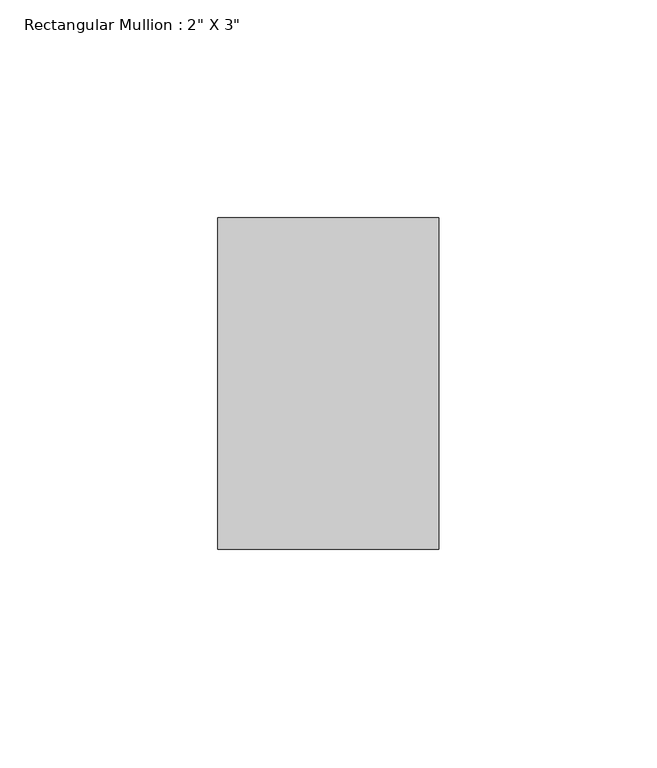
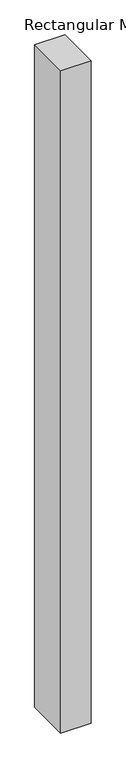
"""IFC4 building model written with IfcOpenShell, lengths in millimetres: member geometry."""

from ifc_helpers import new_model, si_unit, frame, origin, place, context, project, spatial, polyline, outline, extrude, source, transform, mapped, element, save


def member_de885e94(model_context):
    return source(origin(), model_context, "Body", "SweptSolid", [
        extrude(outline(polyline([(25.4, 63.5), (25.4, -12.7), (-25.4, -12.7), (-25.4, 63.5), (25.4, 63.5)])), frame((0.0, 0.0, -1181.1), z_axis=(0.0, 0.0, 1.0), x_axis=(1.0, 0.0, 0.0)), (0.0, 0.0, 1.0), 1181.1),
    ])


if __name__ == "__main__":
    model = new_model("IFC4")
    model_context = context("Model", 3, world=origin())
    ifc_project = project(units=[si_unit("LENGTHUNIT", "METRE", prefix="MILLI")], contexts=[model_context])
    site = spatial("IfcSite", under=ifc_project)
    building = spatial("IfcBuilding", under=site)
    placement = place(None, origin())
    member_shape = member_de885e94(model_context)
    element("IfcMember", 1, ObjectType="Rectangular Mullion : 2\" X 3\"", at=placement, inside=building, context=model_context, shape_type="MappedRepresentation", body=[
        mapped(member_shape, transform((0.0, 0.0, 0.0), x_axis=(1.0, 0.0, 0.0), y_axis=(0.0, 1.0, 0.0), z_axis=(0.0, 0.0, 1.0))),
    ])
    save(model, "model.ifc")
